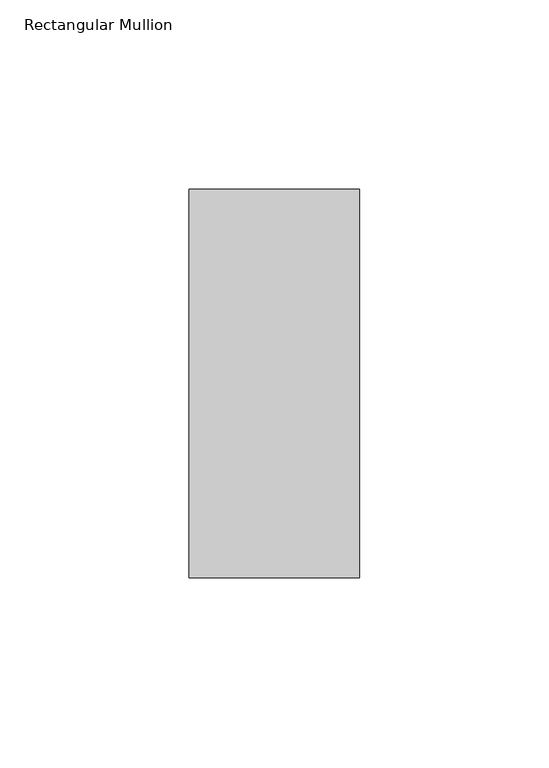
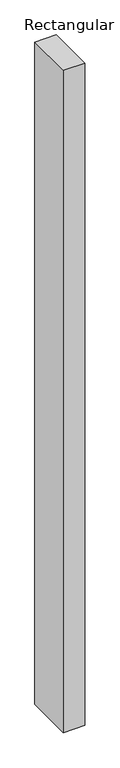
"""IFC4 building model written with IfcOpenShell, lengths in millimetres: member geometry, Rectangular Mullion."""

from ifc_helpers import new_model, si_unit, frame, origin, place, context, project, spatial, polyline, outline, extrude, source, transform, mapped, element, save


def rectangular_mullion_79ea01ff(model_context):
    return source(origin(), model_context, "Body", "SweptSolid", [
        extrude(outline(polyline([(22.5, 66.73125), (22.5, -35.73125), (-22.5, -35.73125), (-22.5, 66.73125), (22.5, 66.73125)])), frame((0.0, 0.0, -1465.1808809), z_axis=(0.0, 0.0, 1.0), x_axis=(1.0, 0.0, 0.0)), (0.0, 0.0, 1.0), 1465.1808809),
    ])


if __name__ == "__main__":
    model = new_model("IFC4")
    model_context = context("Model", 3, world=origin())
    ifc_project = project(units=[si_unit("LENGTHUNIT", "METRE", prefix="MILLI")], contexts=[model_context])
    site = spatial("IfcSite", under=ifc_project)
    building = spatial("IfcBuilding", under=site)
    placement = place(None, origin())
    rectangular_mullion_shape = rectangular_mullion_79ea01ff(model_context)
    element("IfcMember", 1, ObjectType="Rectangular Mullion", at=placement, inside=building, context=model_context, shape_type="MappedRepresentation", body=[
        mapped(rectangular_mullion_shape, transform((0.0, 0.0, 0.0), x_axis=(1.0, 0.0, 0.0), y_axis=(0.0, 1.0, 0.0), z_axis=(0.0, 0.0, 1.0))),
    ])
    save(model, "model.ifc")
